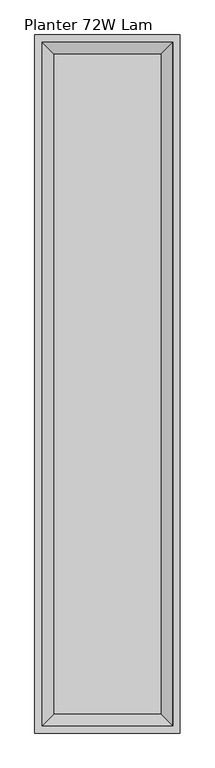
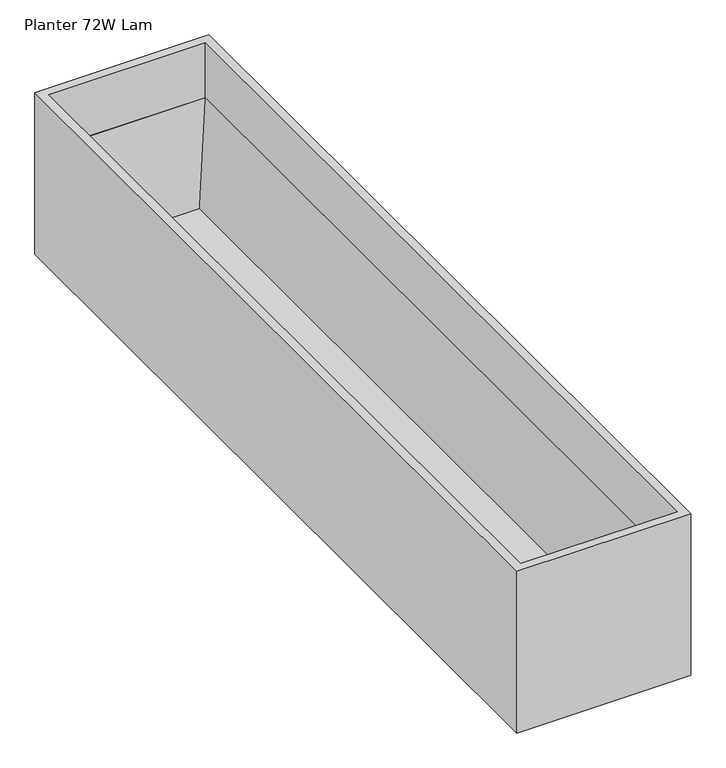
"""IFC4 building model written with IfcOpenShell, lengths in millimetres: furniture geometry, Planter 72W Lam."""

from ifc_helpers import new_model, si_unit, origin, place, context, project, spatial, faceted_brep, source, transform, mapped, element, save


def planter_72w_lam_fca4e122(model_context):
    return source(origin(), model_context, "Body", "Brep", [
        faceted_brep([(381.0, 0.0, 374.6499879), (0.0, 0.0, 374.6499879), (0.0, -1828.8, 374.6499879), (381.0, -1828.8, 374.6499879), (19.05, -19.05, 374.6499879), (361.95, -19.05, 374.6499879), (361.95, -1809.75, 374.6499879), (19.05, -1809.75, 374.6499879), (381.0, 0.0, 0.0), (381.0, -1828.8, 0.0), (0.0, -1828.8, 0.0), (0.0, 0.0, 0.0), (361.95, -19.05, 247.65), (19.05, -19.05, 247.65), (19.05, -1809.75, 247.65), (361.95, -1809.75, 247.65), (19.8119993, -19.8119993, 247.65), (361.1879826, -19.8119993, 247.65), (361.1879826, -1808.9879826, 247.65), (19.8119993, -1808.9879826, 247.65), (331.0922542, -49.9077595, 19.8119993), (49.9077595, -49.9077595, 19.8119993), (49.9077595, -1778.8922178, 19.8119993), (331.0922542, -1778.8922178, 19.8119993)], [[[0, 1, 2, 3], [4, 5, 6, 7]], [[8, 9, 10, 11]], [[1, 0, 8, 11]], [[2, 1, 11, 10]], [[3, 2, 10, 9]], [[0, 3, 9, 8]], [[12, 13, 14, 15], [16, 17, 18, 19]], [[13, 12, 5, 4]], [[14, 13, 4, 7]], [[15, 14, 7, 6]], [[12, 15, 6, 5]], [[20, 21, 22, 23]], [[21, 20, 17, 16]], [[22, 21, 16, 19]], [[23, 22, 19, 18]], [[20, 23, 18, 17]]]),
    ])


if __name__ == "__main__":
    model = new_model("IFC4")
    model_context = context("Model", 3, world=origin())
    ifc_project = project(units=[si_unit("LENGTHUNIT", "METRE", prefix="MILLI")], contexts=[model_context])
    site = spatial("IfcSite", under=ifc_project)
    building = spatial("IfcBuilding", under=site)
    placement = place(None, origin())
    planter_72w_lam_shape = planter_72w_lam_fca4e122(model_context)
    element("IfcFurniture", 1, ObjectType="Planter 72W Lam", at=placement, inside=building, context=model_context, shape_type="MappedRepresentation", body=[
        mapped(planter_72w_lam_shape, transform((0.0, 0.0, 0.0), x_axis=(1.0, 0.0, 0.0), y_axis=(0.0, 1.0, 0.0), z_axis=(0.0, 0.0, 1.0))),
    ])
    save(model, "model.ifc")
